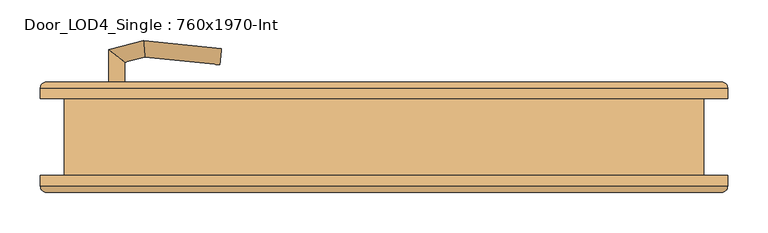
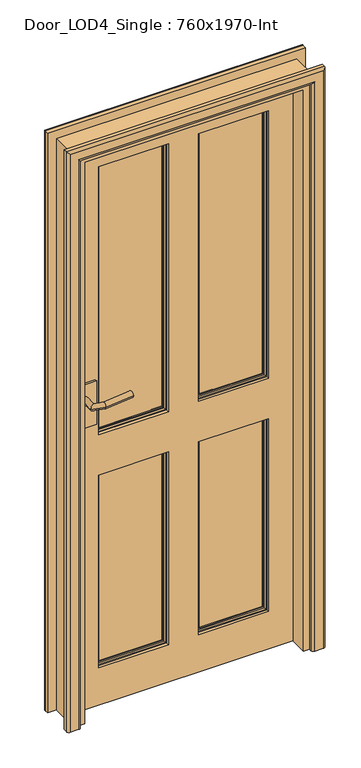
"""IFC4 building model written with IfcOpenShell, lengths in millimetres: door geometry, Door_LOD4_Single : 760x1970-Int."""

from ifc_helpers import new_model, si_unit, frame, origin, place, context, project, spatial, polyline, circle_curve, ellipse_curve, outline, extrude, source, transform, mapped, element, save
from ifc_brep_helpers import plane_surface, cylinder_surface, advanced_brep


def door_lod4_single_760x1970_int_ee4fc6f6(model_context):
    return source(origin(), model_context, "Body", "SolidModel", [
        advanced_brep(
        [(280.0000152, 17.5, 130.0), (280.0000152, 17.5, 800.0), (50.0, 17.5, 800.0), (50.0, 17.5, 130.0), (53.6443449, 17.5, 133.6443449), (53.6443449, 17.5, 796.3556551), (276.3556703, 17.5, 796.3556551), (276.3556703, 17.5, 133.6443449), (280.0000152, 37.5, 130.0), (50.0, 37.5, 130.0), (50.0, 37.5, 800.0), (280.0000152, 37.5, 800.0), (53.6443449, 37.5, 796.3556551), (53.6443449, 37.5, 133.6443449), (276.3556703, 37.5, 133.6443449), (276.3556703, 37.5, 796.3556551), (60.5, 29.8125, 789.5), (60.5, 29.8125, 140.5), (60.5, 32.8125, 140.5), (60.5, 32.8125, 789.5), (269.5000152, 29.8125, 140.5), (269.5000152, 32.8125, 140.5), (269.5000152, 29.8125, 789.5), (269.5000152, 32.8125, 789.5), (55.9375, 32.8125, 135.9375), (55.9375, 32.8125, 794.0625), (274.0625152, 32.8125, 794.0625), (274.0625152, 32.8125, 135.9375), (60.5, 22.1875, 789.5), (60.5, 22.1875, 140.5), (60.5, 25.1875, 140.5), (60.5, 25.1875, 789.5), (269.5000152, 22.1875, 140.5), (269.5000152, 25.1875, 140.5), (269.5000152, 22.1875, 789.5), (269.5000152, 25.1875, 789.5), (55.9375, 22.1875, 794.0625), (55.9375, 22.1875, 135.9375), (274.0625152, 22.1875, 135.9375), (274.0625152, 22.1875, 794.0625)],
        [
            (0, 1),
            (1, 2),
            (2, 3),
            (3, 0),
            (4, 5),
            (5, 6),
            (6, 7),
            (7, 4),
            (8, 9),
            (9, 10),
            (10, 11),
            (11, 8),
            (12, 13),
            (13, 14),
            (14, 15),
            (15, 12),
            (0, 8),
            (11, 1),
            (10, 2),
            (9, 3),
            (16, 17),
            (17, 18),
            (18, 19),
            (19, 16),
            (17, 20),
            (20, 21),
            (21, 18),
            (20, 22),
            (22, 23),
            (23, 21),
            (24, 25),
            (25, 26),
            (26, 27),
            (27, 24),
            (23, 19),
            (22, 16),
            (24, 13, ellipse_curve(frame((50.0, 32.8125, 130.0), z_axis=(-0.7071067811865475, 0.0, 0.7071067811865475), x_axis=(-0.7071067811865474, 0.0, -0.7071067811865476)), 8.396893, 5.9375)),
            (12, 25, ellipse_curve(frame((50.0, 32.8125, 800.0), z_axis=(-0.7071067811865475, 0.0, -0.7071067811865475), x_axis=(0.7071067811865474, 0.0, -0.7071067811865476)), 8.396893, 5.9375)),
            (27, 14, ellipse_curve(frame((280.0000152, 32.8125, 130.0), z_axis=(-0.7071067811865475, 0.0, -0.7071067811865475), x_axis=(0.7071067811865476, 0.0, -0.7071067811865474)), 8.396893, 5.9375)),
            (26, 15, ellipse_curve(frame((280.0000152, 32.8125, 800.0), z_axis=(0.7071067811865475, 0.0, -0.7071067811865475), x_axis=(0.7071067811865474, 0.0, 0.7071067811865476)), 8.396893, 5.9375)),
            (28, 29),
            (29, 30),
            (30, 31),
            (31, 28),
            (29, 32),
            (32, 33),
            (33, 30),
            (32, 34),
            (34, 35),
            (35, 33),
            (36, 37),
            (37, 38),
            (38, 39),
            (39, 36),
            (28, 34),
            (31, 35),
            (36, 5, ellipse_curve(frame((50.0, 22.1875, 800.0), z_axis=(-0.7071067811865475, 0.0, -0.7071067811865475), x_axis=(0.7071067811865474, 0.0, -0.7071067811865476)), 8.396893, 5.9375)),
            (4, 37, ellipse_curve(frame((50.0, 22.1875, 130.0), z_axis=(-0.7071067811865475, 0.0, 0.7071067811865475), x_axis=(-0.7071067811865474, 0.0, -0.7071067811865476)), 8.396893, 5.9375)),
            (7, 38, ellipse_curve(frame((280.0000152, 22.1875, 130.0), z_axis=(-0.7071067811865475, 0.0, -0.7071067811865475), x_axis=(0.7071067811865476, 0.0, -0.7071067811865474)), 8.396893, 5.9375)),
            (6, 39, ellipse_curve(frame((280.0000152, 22.1875, 800.0), z_axis=(0.7071067811865475, 0.0, -0.7071067811865475), x_axis=(0.7071067811865474, 0.0, 0.7071067811865476)), 8.396893, 5.9375)),
        ],
        [
            plane_surface(frame((280.0000152, 17.5, 130.0), z_axis=(0.0, -1.0, 0.0), x_axis=(0.0, 0.0, 1.0))),
            plane_surface(frame((280.0000152, 37.5, 130.0), z_axis=(0.0, 1.0, 0.0), x_axis=(0.0, 0.0, -1.0))),
            plane_surface(frame((280.0000152, 17.5, 130.0), z_axis=(1.0, 0.0, 0.0), x_axis=(0.0, 1.0, 0.0))),
            plane_surface(frame((280.0000152, 17.5, 800.0), z_axis=(0.0, 0.0, 1.0), x_axis=(0.0, 1.0, 0.0))),
            plane_surface(frame((50.0, 17.5, 800.0), z_axis=(-1.0, 0.0, 0.0), x_axis=(0.0, 1.0, 0.0))),
            plane_surface(frame((50.0, 17.5, 130.0), z_axis=(0.0, 0.0, -1.0), x_axis=(0.0, 1.0, 0.0))),
            plane_surface(frame((60.5, 32.8125, 789.5), z_axis=(1.0, 0.0, 0.0), x_axis=(0.0, 0.0, -1.0))),
            plane_surface(frame((60.5, 32.8125, 140.5), z_axis=(0.0, 0.0, 1.0), x_axis=(1.0, 0.0, 0.0))),
            plane_surface(frame((269.5000152, 32.8125, 140.5), z_axis=(-1.0, 0.0, 0.0), x_axis=(0.0, 0.0, 1.0))),
            plane_surface(frame((274.0625152, 32.8125, 794.0625), z_axis=(0.0, 1.0, 0.0), x_axis=(-1.0, 0.0, 0.0))),
            plane_surface(frame((269.5000152, 32.8125, 789.5), z_axis=(0.0, 0.0, -1.0), x_axis=(-1.0, 0.0, 0.0))),
            plane_surface(frame((269.5000152, 29.8125, 789.5), z_axis=(0.0, 1.0, 0.0), x_axis=(-1.0, 0.0, 0.0))),
            cylinder_surface(frame((50.0, 32.8125, 800.0), z_axis=(0.0, 0.0, -1.0), x_axis=(-1.0, 0.0, 0.0)), 5.9375),
            cylinder_surface(frame((50.0, 32.8125, 130.0), z_axis=(1.0, 0.0, 0.0), x_axis=(0.0, 0.0, -1.0)), 5.9375),
            cylinder_surface(frame((280.0000152, 32.8125, 130.0), z_axis=(0.0, 0.0, 1.0), x_axis=(1.0, 0.0, 0.0)), 5.9375),
            cylinder_surface(frame((280.0000152, 32.8125, 800.0), z_axis=(-1.0, 0.0, 0.0), x_axis=(0.0, 0.0, 1.0)), 5.9375),
            plane_surface(frame((60.5, 25.1875, 789.5), z_axis=(1.0, 0.0, 0.0), x_axis=(0.0, 0.0, -1.0))),
            plane_surface(frame((60.5, 25.1875, 140.5), z_axis=(0.0, 0.0, 1.0), x_axis=(1.0, 0.0, 0.0))),
            plane_surface(frame((269.5000152, 25.1875, 140.5), z_axis=(-1.0, 0.0, 0.0), x_axis=(0.0, 0.0, 1.0))),
            plane_surface(frame((269.5000152, 22.1875, 789.5), z_axis=(0.0, -1.0, 0.0), x_axis=(-1.0, 0.0, 0.0))),
            plane_surface(frame((269.5000152, 25.1875, 789.5), z_axis=(0.0, 0.0, -1.0), x_axis=(-1.0, 0.0, 0.0))),
            plane_surface(frame((246.5442628, 25.1875, 766.5442476), z_axis=(0.0, -1.0, 0.0), x_axis=(-1.0, 0.0, 0.0))),
            cylinder_surface(frame((50.0, 22.1875, 800.0), z_axis=(0.0, 0.0, -1.0), x_axis=(1.0, 0.0, 0.0)), 5.9375),
            cylinder_surface(frame((50.0, 22.1875, 130.0), z_axis=(1.0, 0.0, 0.0), x_axis=(0.0, 0.0, 1.0)), 5.9375),
            cylinder_surface(frame((280.0000152, 22.1875, 130.0), z_axis=(0.0, 0.0, 1.0), x_axis=(-1.0, 0.0, 0.0)), 5.9375),
            cylinder_surface(frame((280.0000152, 22.1875, 800.0), z_axis=(-1.0, 0.0, 0.0), x_axis=(0.0, 0.0, -1.0)), 5.9375),
        ],
        [
            (0, [[1, 2, 3, 4], [5, 6, 7, 8]]),
            (1, [[9, 10, 11, 12], [13, 14, 15, 16]]),
            (2, [[-1, 17, -12, 18]]),
            (3, [[-2, -18, -11, 19]]),
            (4, [[-3, -19, -10, 20]]),
            (5, [[-4, -20, -9, -17]]),
            (6, [[21, 22, 23, 24]]),
            (7, [[-22, 25, 26, 27]]),
            (8, [[-26, 28, 29, 30]]),
            (9, [[31, 32, 33, 34], [-23, -27, -30, 35]]),
            (10, [[-24, -35, -29, 36]]),
            (11, [[-21, -36, -28, -25]]),
            (12, [[-31, 37, -13, 38]]),
            (13, [[-34, 39, -14, -37]]),
            (14, [[-33, 40, -15, -39]]),
            (15, [[-32, -38, -16, -40]]),
            (16, [[41, 42, 43, 44]]),
            (17, [[-42, 45, 46, 47]]),
            (18, [[-46, 48, 49, 50]]),
            (19, [[51, 52, 53, 54], [-41, 55, -48, -45]]),
            (20, [[-44, 56, -49, -55]]),
            (21, [[-43, -47, -50, -56]]),
            (22, [[-51, 57, -5, 58]]),
            (23, [[-52, -58, -8, 59]]),
            (24, [[-53, -59, -7, 60]]),
            (25, [[-54, -60, -6, -57]]),
        ],
    ),
        advanced_brep(
        [(-50.0, 17.5, 130.0), (-50.0, 17.5, 800.0), (-280.0000152, 17.5, 800.0), (-280.0000152, 17.5, 130.0), (-276.3556703, 17.5, 133.6443449), (-276.3556703, 17.5, 796.3556551), (-53.6443449, 17.5, 796.3556551), (-53.6443449, 17.5, 133.6443449), (-50.0, 37.5, 130.0), (-280.0000152, 37.5, 130.0), (-280.0000152, 37.5, 800.0), (-50.0, 37.5, 800.0), (-276.3556703, 37.5, 796.3556551), (-276.3556703, 37.5, 133.6443449), (-53.6443449, 37.5, 133.6443449), (-53.6443449, 37.5, 796.3556551), (-269.5000152, 29.8125, 789.5), (-269.5000152, 29.8125, 140.5), (-269.5000152, 32.8125, 140.5), (-269.5000152, 32.8125, 789.5), (-60.5, 29.8125, 140.5), (-60.5, 32.8125, 140.5), (-60.5, 29.8125, 789.5), (-60.5, 32.8125, 789.5), (-274.0625152, 32.8125, 135.9375), (-274.0625152, 32.8125, 794.0625), (-55.9375, 32.8125, 794.0625), (-55.9375, 32.8125, 135.9375), (-269.5000152, 22.1875, 789.5), (-269.5000152, 22.1875, 140.5), (-269.5000152, 25.1875, 140.5), (-269.5000152, 25.1875, 789.5), (-60.5, 22.1875, 140.5), (-60.5, 25.1875, 140.5), (-60.5, 22.1875, 789.5), (-60.5, 25.1875, 789.5), (-274.0625152, 22.1875, 794.0625), (-274.0625152, 22.1875, 135.9375), (-55.9375, 22.1875, 135.9375), (-55.9375, 22.1875, 794.0625)],
        [
            (0, 1),
            (1, 2),
            (2, 3),
            (3, 0),
            (4, 5),
            (5, 6),
            (6, 7),
            (7, 4),
            (8, 9),
            (9, 10),
            (10, 11),
            (11, 8),
            (12, 13),
            (13, 14),
            (14, 15),
            (15, 12),
            (0, 8),
            (11, 1),
            (10, 2),
            (9, 3),
            (16, 17),
            (17, 18),
            (18, 19),
            (19, 16),
            (17, 20),
            (20, 21),
            (21, 18),
            (20, 22),
            (22, 23),
            (23, 21),
            (24, 25),
            (25, 26),
            (26, 27),
            (27, 24),
            (23, 19),
            (22, 16),
            (24, 13, ellipse_curve(frame((-280.0000152, 32.8125, 130.0), z_axis=(-0.7071067811865475, 0.0, 0.7071067811865475), x_axis=(-0.7071067811865474, 0.0, -0.7071067811865476)), 8.396893, 5.9375)),
            (12, 25, ellipse_curve(frame((-280.0000152, 32.8125, 800.0), z_axis=(-0.7071067811865475, 0.0, -0.7071067811865475), x_axis=(0.7071067811865474, 0.0, -0.7071067811865476)), 8.396893, 5.9375)),
            (27, 14, ellipse_curve(frame((-50.0, 32.8125, 130.0), z_axis=(-0.7071067811865475, 0.0, -0.7071067811865475), x_axis=(0.7071067811865476, 0.0, -0.7071067811865474)), 8.396893, 5.9375)),
            (26, 15, ellipse_curve(frame((-50.0, 32.8125, 800.0), z_axis=(0.7071067811865475, 0.0, -0.7071067811865475), x_axis=(0.7071067811865474, 0.0, 0.7071067811865476)), 8.396893, 5.9375)),
            (28, 29),
            (29, 30),
            (30, 31),
            (31, 28),
            (29, 32),
            (32, 33),
            (33, 30),
            (32, 34),
            (34, 35),
            (35, 33),
            (36, 37),
            (37, 38),
            (38, 39),
            (39, 36),
            (28, 34),
            (31, 35),
            (36, 5, ellipse_curve(frame((-280.0000152, 22.1875, 800.0), z_axis=(-0.7071067811865475, 0.0, -0.7071067811865475), x_axis=(0.7071067811865474, 0.0, -0.7071067811865476)), 8.396893, 5.9375)),
            (4, 37, ellipse_curve(frame((-280.0000152, 22.1875, 130.0), z_axis=(-0.7071067811865475, 0.0, 0.7071067811865475), x_axis=(-0.7071067811865474, 0.0, -0.7071067811865476)), 8.396893, 5.9375)),
            (7, 38, ellipse_curve(frame((-50.0, 22.1875, 130.0), z_axis=(-0.7071067811865475, 0.0, -0.7071067811865475), x_axis=(0.7071067811865476, 0.0, -0.7071067811865474)), 8.396893, 5.9375)),
            (6, 39, ellipse_curve(frame((-50.0, 22.1875, 800.0), z_axis=(0.7071067811865475, 0.0, -0.7071067811865475), x_axis=(0.7071067811865474, 0.0, 0.7071067811865476)), 8.396893, 5.9375)),
        ],
        [
            plane_surface(frame((-50.0, 17.5, 130.0), z_axis=(0.0, -1.0, 0.0), x_axis=(0.0, 0.0, 1.0))),
            plane_surface(frame((-50.0, 37.5, 130.0), z_axis=(0.0, 1.0, 0.0), x_axis=(0.0, 0.0, -1.0))),
            plane_surface(frame((-50.0, 17.5, 130.0), z_axis=(1.0, 0.0, 0.0), x_axis=(0.0, 1.0, 0.0))),
            plane_surface(frame((-50.0, 17.5, 800.0), z_axis=(0.0, 0.0, 1.0), x_axis=(0.0, 1.0, 0.0))),
            plane_surface(frame((-280.0000152, 17.5, 800.0), z_axis=(-1.0, 0.0, 0.0), x_axis=(0.0, 1.0, 0.0))),
            plane_surface(frame((-280.0000152, 17.5, 130.0), z_axis=(0.0, 0.0, -1.0), x_axis=(0.0, 1.0, 0.0))),
            plane_surface(frame((-269.5000152, 32.8125, 789.5), z_axis=(1.0, 0.0, 0.0), x_axis=(0.0, 0.0, -1.0))),
            plane_surface(frame((-269.5000152, 32.8125, 140.5), z_axis=(0.0, 0.0, 1.0), x_axis=(1.0, 0.0, 0.0))),
            plane_surface(frame((-60.5, 32.8125, 140.5), z_axis=(-1.0, 0.0, 0.0), x_axis=(0.0, 0.0, 1.0))),
            plane_surface(frame((-55.9375, 32.8125, 794.0625), z_axis=(0.0, 1.0, 0.0), x_axis=(-1.0, 0.0, 0.0))),
            plane_surface(frame((-60.5, 32.8125, 789.5), z_axis=(0.0, 0.0, -1.0), x_axis=(-1.0, 0.0, 0.0))),
            plane_surface(frame((-60.5, 29.8125, 789.5), z_axis=(0.0, 1.0, 0.0), x_axis=(-1.0, 0.0, 0.0))),
            cylinder_surface(frame((-280.0000152, 32.8125, 800.0), z_axis=(0.0, 0.0, -1.0), x_axis=(-1.0, 0.0, 0.0)), 5.9375),
            cylinder_surface(frame((-280.0000152, 32.8125, 130.0), z_axis=(1.0, 0.0, 0.0), x_axis=(0.0, 0.0, -1.0)), 5.9375),
            cylinder_surface(frame((-50.0, 32.8125, 130.0), z_axis=(0.0, 0.0, 1.0), x_axis=(1.0, 0.0, 0.0)), 5.9375),
            cylinder_surface(frame((-50.0, 32.8125, 800.0), z_axis=(-1.0, 0.0, 0.0), x_axis=(0.0, 0.0, 1.0)), 5.9375),
            plane_surface(frame((-269.5000152, 25.1875, 789.5), z_axis=(1.0, 0.0, 0.0), x_axis=(0.0, 0.0, -1.0))),
            plane_surface(frame((-269.5000152, 25.1875, 140.5), z_axis=(0.0, 0.0, 1.0), x_axis=(1.0, 0.0, 0.0))),
            plane_surface(frame((-60.5, 25.1875, 140.5), z_axis=(-1.0, 0.0, 0.0), x_axis=(0.0, 0.0, 1.0))),
            plane_surface(frame((-60.5, 22.1875, 789.5), z_axis=(0.0, -1.0, 0.0), x_axis=(-1.0, 0.0, 0.0))),
            plane_surface(frame((-60.5, 25.1875, 789.5), z_axis=(0.0, 0.0, -1.0), x_axis=(-1.0, 0.0, 0.0))),
            plane_surface(frame((-83.4557524, 25.1875, 766.5442476), z_axis=(0.0, -1.0, 0.0), x_axis=(-1.0, 0.0, 0.0))),
            cylinder_surface(frame((-280.0000152, 22.1875, 800.0), z_axis=(0.0, 0.0, -1.0), x_axis=(1.0, 0.0, 0.0)), 5.9375),
            cylinder_surface(frame((-280.0000152, 22.1875, 130.0), z_axis=(1.0, 0.0, 0.0), x_axis=(0.0, 0.0, 1.0)), 5.9375),
            cylinder_surface(frame((-50.0, 22.1875, 130.0), z_axis=(0.0, 0.0, 1.0), x_axis=(-1.0, 0.0, 0.0)), 5.9375),
            cylinder_surface(frame((-50.0, 22.1875, 800.0), z_axis=(-1.0, 0.0, 0.0), x_axis=(0.0, 0.0, -1.0)), 5.9375),
        ],
        [
            (0, [[1, 2, 3, 4], [5, 6, 7, 8]]),
            (1, [[9, 10, 11, 12], [13, 14, 15, 16]]),
            (2, [[-1, 17, -12, 18]]),
            (3, [[-2, -18, -11, 19]]),
            (4, [[-3, -19, -10, 20]]),
            (5, [[-4, -20, -9, -17]]),
            (6, [[21, 22, 23, 24]]),
            (7, [[-22, 25, 26, 27]]),
            (8, [[-26, 28, 29, 30]]),
            (9, [[31, 32, 33, 34], [-23, -27, -30, 35]]),
            (10, [[-24, -35, -29, 36]]),
            (11, [[-21, -36, -28, -25]]),
            (12, [[-31, 37, -13, 38]]),
            (13, [[-34, 39, -14, -37]]),
            (14, [[-33, 40, -15, -39]]),
            (15, [[-32, -38, -16, -40]]),
            (16, [[41, 42, 43, 44]]),
            (17, [[-42, 45, 46, 47]]),
            (18, [[-46, 48, 49, 50]]),
            (19, [[51, 52, 53, 54], [-41, 55, -48, -45]]),
            (20, [[-44, 56, -49, -55]]),
            (21, [[-43, -47, -50, -56]]),
            (22, [[-51, 57, -5, 58]]),
            (23, [[-52, -58, -8, 59]]),
            (24, [[-53, -59, -7, 60]]),
            (25, [[-54, -60, -6, -57]]),
        ],
    ),
        advanced_brep(
        [(280.0000152, 17.5, 940.0), (280.0000152, 17.5, 1870.0000789), (50.0, 17.5, 1870.0000789), (50.0, 17.5, 940.0), (53.6443449, 17.5, 943.6443449), (53.6443449, 17.5, 1866.355734), (276.3556703, 17.5, 1866.355734), (276.3556703, 17.5, 943.6443449), (280.0000152, 37.5, 940.0), (50.0, 37.5, 940.0), (50.0, 37.5, 1870.0000789), (280.0000152, 37.5, 1870.0000789), (53.6443449, 37.5, 1866.355734), (53.6443449, 37.5, 943.6443449), (276.3556703, 37.5, 943.6443449), (276.3556703, 37.5, 1866.355734), (60.5, 29.8125, 1859.5000789), (60.5, 29.8125, 950.5), (60.5, 32.8125, 950.5), (60.5, 32.8125, 1859.5000789), (269.5000152, 29.8125, 950.5), (269.5000152, 32.8125, 950.5), (269.5000152, 29.8125, 1859.5000789), (269.5000152, 32.8125, 1859.5000789), (55.9375, 32.8125, 945.9375), (55.9375, 32.8125, 1864.0625789), (274.0625152, 32.8125, 1864.0625789), (274.0625152, 32.8125, 945.9375), (60.5, 22.1875, 1859.5000789), (60.5, 22.1875, 950.5), (60.5, 25.1875, 950.5), (60.5, 25.1875, 1859.5000789), (269.5000152, 22.1875, 950.5), (269.5000152, 25.1875, 950.5), (269.5000152, 22.1875, 1859.5000789), (269.5000152, 25.1875, 1859.5000789), (55.9375, 22.1875, 1864.0625789), (55.9375, 22.1875, 945.9375), (274.0625152, 22.1875, 945.9375), (274.0625152, 22.1875, 1864.0625789)],
        [
            (0, 1),
            (1, 2),
            (2, 3),
            (3, 0),
            (4, 5),
            (5, 6),
            (6, 7),
            (7, 4),
            (8, 9),
            (9, 10),
            (10, 11),
            (11, 8),
            (12, 13),
            (13, 14),
            (14, 15),
            (15, 12),
            (0, 8),
            (11, 1),
            (10, 2),
            (9, 3),
            (16, 17),
            (17, 18),
            (18, 19),
            (19, 16),
            (17, 20),
            (20, 21),
            (21, 18),
            (20, 22),
            (22, 23),
            (23, 21),
            (24, 25),
            (25, 26),
            (26, 27),
            (27, 24),
            (23, 19),
            (22, 16),
            (24, 13, ellipse_curve(frame((50.0, 32.8125, 940.0), z_axis=(-0.7071067811865475, 0.0, 0.7071067811865475), x_axis=(-0.7071067811865474, 0.0, -0.7071067811865476)), 8.396893, 5.9375)),
            (12, 25, ellipse_curve(frame((50.0, 32.8125, 1870.0000789), z_axis=(-0.7071067811865475, 0.0, -0.7071067811865475), x_axis=(0.7071067811865474, 0.0, -0.7071067811865476)), 8.396893, 5.9375)),
            (27, 14, ellipse_curve(frame((280.0000152, 32.8125, 940.0), z_axis=(-0.7071067811865475, 0.0, -0.7071067811865475), x_axis=(0.7071067811865476, 0.0, -0.7071067811865474)), 8.396893, 5.9375)),
            (26, 15, ellipse_curve(frame((280.0000152, 32.8125, 1870.0000789), z_axis=(0.7071067811865475, 0.0, -0.7071067811865475), x_axis=(0.7071067811865474, 0.0, 0.7071067811865476)), 8.396893, 5.9375)),
            (28, 29),
            (29, 30),
            (30, 31),
            (31, 28),
            (29, 32),
            (32, 33),
            (33, 30),
            (32, 34),
            (34, 35),
            (35, 33),
            (36, 37),
            (37, 38),
            (38, 39),
            (39, 36),
            (28, 34),
            (31, 35),
            (36, 5, ellipse_curve(frame((50.0, 22.1875, 1870.0000789), z_axis=(-0.7071067811865475, 0.0, -0.7071067811865475), x_axis=(0.7071067811865474, 0.0, -0.7071067811865476)), 8.396893, 5.9375)),
            (4, 37, ellipse_curve(frame((50.0, 22.1875, 940.0), z_axis=(-0.7071067811865475, 0.0, 0.7071067811865475), x_axis=(-0.7071067811865474, 0.0, -0.7071067811865476)), 8.396893, 5.9375)),
            (7, 38, ellipse_curve(frame((280.0000152, 22.1875, 940.0), z_axis=(-0.7071067811865475, 0.0, -0.7071067811865475), x_axis=(0.7071067811865476, 0.0, -0.7071067811865474)), 8.396893, 5.9375)),
            (6, 39, ellipse_curve(frame((280.0000152, 22.1875, 1870.0000789), z_axis=(0.7071067811865475, 0.0, -0.7071067811865475), x_axis=(0.7071067811865474, 0.0, 0.7071067811865476)), 8.396893, 5.9375)),
        ],
        [
            plane_surface(frame((280.0000152, 17.5, 940.0), z_axis=(0.0, -1.0, 0.0), x_axis=(0.0, 0.0, 1.0))),
            plane_surface(frame((280.0000152, 37.5, 940.0), z_axis=(0.0, 1.0, 0.0), x_axis=(0.0, 0.0, -1.0))),
            plane_surface(frame((280.0000152, 17.5, 940.0), z_axis=(1.0, 0.0, 0.0), x_axis=(0.0, 1.0, 0.0))),
            plane_surface(frame((280.0000152, 17.5, 1870.0000789), z_axis=(0.0, 0.0, 1.0), x_axis=(0.0, 1.0, 0.0))),
            plane_surface(frame((50.0, 17.5, 1870.0000789), z_axis=(-1.0, 0.0, 0.0), x_axis=(0.0, 1.0, 0.0))),
            plane_surface(frame((50.0, 17.5, 940.0), z_axis=(0.0, 0.0, -1.0), x_axis=(0.0, 1.0, 0.0))),
            plane_surface(frame((60.5, 32.8125, 1859.5000789), z_axis=(1.0, 0.0, 0.0), x_axis=(0.0, 0.0, -1.0))),
            plane_surface(frame((60.5, 32.8125, 950.5), z_axis=(0.0, 0.0, 1.0), x_axis=(1.0, 0.0, 0.0))),
            plane_surface(frame((269.5000152, 32.8125, 950.5), z_axis=(-1.0, 0.0, 0.0), x_axis=(0.0, 0.0, 1.0))),
            plane_surface(frame((274.0625152, 32.8125, 1864.0625789), z_axis=(0.0, 1.0, 0.0), x_axis=(-1.0, 0.0, 0.0))),
            plane_surface(frame((269.5000152, 32.8125, 1859.5000789), z_axis=(0.0, 0.0, -1.0), x_axis=(-1.0, 0.0, 0.0))),
            plane_surface(frame((269.5000152, 29.8125, 1859.5000789), z_axis=(0.0, 1.0, 0.0), x_axis=(-1.0, 0.0, 0.0))),
            cylinder_surface(frame((50.0, 32.8125, 1870.0000789), z_axis=(0.0, 0.0, -1.0), x_axis=(-1.0, 0.0, 0.0)), 5.9375),
            cylinder_surface(frame((50.0, 32.8125, 940.0), z_axis=(1.0, 0.0, 0.0), x_axis=(0.0, 0.0, -1.0)), 5.9375),
            cylinder_surface(frame((280.0000152, 32.8125, 940.0), z_axis=(0.0, 0.0, 1.0), x_axis=(1.0, 0.0, 0.0)), 5.9375),
            cylinder_surface(frame((280.0000152, 32.8125, 1870.0000789), z_axis=(-1.0, 0.0, 0.0), x_axis=(0.0, 0.0, 1.0)), 5.9375),
            plane_surface(frame((60.5, 25.1875, 1859.5000789), z_axis=(1.0, 0.0, 0.0), x_axis=(0.0, 0.0, -1.0))),
            plane_surface(frame((60.5, 25.1875, 950.5), z_axis=(0.0, 0.0, 1.0), x_axis=(1.0, 0.0, 0.0))),
            plane_surface(frame((269.5000152, 25.1875, 950.5), z_axis=(-1.0, 0.0, 0.0), x_axis=(0.0, 0.0, 1.0))),
            plane_surface(frame((269.5000152, 22.1875, 1859.5000789), z_axis=(0.0, -1.0, 0.0), x_axis=(-1.0, 0.0, 0.0))),
            plane_surface(frame((269.5000152, 25.1875, 1859.5000789), z_axis=(0.0, 0.0, -1.0), x_axis=(-1.0, 0.0, 0.0))),
            plane_surface(frame((246.5442628, 25.1875, 1836.5443265), z_axis=(0.0, -1.0, 0.0), x_axis=(-1.0, 0.0, 0.0))),
            cylinder_surface(frame((50.0, 22.1875, 1870.0000789), z_axis=(0.0, 0.0, -1.0), x_axis=(1.0, 0.0, 0.0)), 5.9375),
            cylinder_surface(frame((50.0, 22.1875, 940.0), z_axis=(1.0, 0.0, 0.0), x_axis=(0.0, 0.0, 1.0)), 5.9375),
            cylinder_surface(frame((280.0000152, 22.1875, 940.0), z_axis=(0.0, 0.0, 1.0), x_axis=(-1.0, 0.0, 0.0)), 5.9375),
            cylinder_surface(frame((280.0000152, 22.1875, 1870.0000789), z_axis=(-1.0, 0.0, 0.0), x_axis=(0.0, 0.0, -1.0)), 5.9375),
        ],
        [
            (0, [[1, 2, 3, 4], [5, 6, 7, 8]]),
            (1, [[9, 10, 11, 12], [13, 14, 15, 16]]),
            (2, [[-1, 17, -12, 18]]),
            (3, [[-2, -18, -11, 19]]),
            (4, [[-3, -19, -10, 20]]),
            (5, [[-4, -20, -9, -17]]),
            (6, [[21, 22, 23, 24]]),
            (7, [[-22, 25, 26, 27]]),
            (8, [[-26, 28, 29, 30]]),
            (9, [[31, 32, 33, 34], [-23, -27, -30, 35]]),
            (10, [[-24, -35, -29, 36]]),
            (11, [[-21, -36, -28, -25]]),
            (12, [[-31, 37, -13, 38]]),
            (13, [[-34, 39, -14, -37]]),
            (14, [[-33, 40, -15, -39]]),
            (15, [[-32, -38, -16, -40]]),
            (16, [[41, 42, 43, 44]]),
            (17, [[-42, 45, 46, 47]]),
            (18, [[-46, 48, 49, 50]]),
            (19, [[51, 52, 53, 54], [-41, 55, -48, -45]]),
            (20, [[-44, 56, -49, -55]]),
            (21, [[-43, -47, -50, -56]]),
            (22, [[-51, 57, -5, 58]]),
            (23, [[-52, -58, -8, 59]]),
            (24, [[-53, -59, -7, 60]]),
            (25, [[-54, -60, -6, -57]]),
        ],
    ),
        advanced_brep(
        [(-50.0, 17.5, 940.0), (-50.0, 17.5, 1870.0000789), (-280.0000152, 17.5, 1870.0000789), (-280.0000152, 17.5, 940.0), (-276.3556703, 17.5, 943.6443449), (-276.3556703, 17.5, 1866.355734), (-53.6443449, 17.5, 1866.355734), (-53.6443449, 17.5, 943.6443449), (-50.0, 37.5, 940.0), (-280.0000152, 37.5, 940.0), (-280.0000152, 37.5, 1870.0000789), (-50.0, 37.5, 1870.0000789), (-276.3556703, 37.5, 1866.355734), (-276.3556703, 37.5, 943.6443449), (-53.6443449, 37.5, 943.6443449), (-53.6443449, 37.5, 1866.355734), (-269.5000152, 29.8125, 1859.5000789), (-269.5000152, 29.8125, 950.5), (-269.5000152, 32.8125, 950.5), (-269.5000152, 32.8125, 1859.5000789), (-60.5, 29.8125, 950.5), (-60.5, 32.8125, 950.5), (-60.5, 29.8125, 1859.5000789), (-60.5, 32.8125, 1859.5000789), (-274.0625152, 32.8125, 945.9375), (-274.0625152, 32.8125, 1864.0625789), (-55.9375, 32.8125, 1864.0625789), (-55.9375, 32.8125, 945.9375), (-269.5000152, 22.1875, 1859.5000789), (-269.5000152, 22.1875, 950.5), (-269.5000152, 25.1875, 950.5), (-269.5000152, 25.1875, 1859.5000789), (-60.5, 22.1875, 950.5), (-60.5, 25.1875, 950.5), (-60.5, 22.1875, 1859.5000789), (-60.5, 25.1875, 1859.5000789), (-274.0625152, 22.1875, 1864.0625789), (-274.0625152, 22.1875, 945.9375), (-55.9375, 22.1875, 945.9375), (-55.9375, 22.1875, 1864.0625789)],
        [
            (0, 1),
            (1, 2),
            (2, 3),
            (3, 0),
            (4, 5),
            (5, 6),
            (6, 7),
            (7, 4),
            (8, 9),
            (9, 10),
            (10, 11),
            (11, 8),
            (12, 13),
            (13, 14),
            (14, 15),
            (15, 12),
            (0, 8),
            (11, 1),
            (10, 2),
            (9, 3),
            (16, 17),
            (17, 18),
            (18, 19),
            (19, 16),
            (17, 20),
            (20, 21),
            (21, 18),
            (20, 22),
            (22, 23),
            (23, 21),
            (24, 25),
            (25, 26),
            (26, 27),
            (27, 24),
            (23, 19),
            (22, 16),
            (24, 13, ellipse_curve(frame((-280.0000152, 32.8125, 940.0), z_axis=(-0.7071067811865475, 0.0, 0.7071067811865475), x_axis=(-0.7071067811865474, 0.0, -0.7071067811865476)), 8.396893, 5.9375)),
            (12, 25, ellipse_curve(frame((-280.0000152, 32.8125, 1870.0000789), z_axis=(-0.7071067811865475, 0.0, -0.7071067811865475), x_axis=(0.7071067811865474, 0.0, -0.7071067811865476)), 8.396893, 5.9375)),
            (27, 14, ellipse_curve(frame((-50.0, 32.8125, 940.0), z_axis=(-0.7071067811865475, 0.0, -0.7071067811865475), x_axis=(0.7071067811865476, 0.0, -0.7071067811865474)), 8.396893, 5.9375)),
            (26, 15, ellipse_curve(frame((-50.0, 32.8125, 1870.0000789), z_axis=(0.7071067811865475, 0.0, -0.7071067811865475), x_axis=(0.7071067811865474, 0.0, 0.7071067811865476)), 8.396893, 5.9375)),
            (28, 29),
            (29, 30),
            (30, 31),
            (31, 28),
            (29, 32),
            (32, 33),
            (33, 30),
            (32, 34),
            (34, 35),
            (35, 33),
            (36, 37),
            (37, 38),
            (38, 39),
            (39, 36),
            (28, 34),
            (31, 35),
            (36, 5, ellipse_curve(frame((-280.0000152, 22.1875, 1870.0000789), z_axis=(-0.7071067811865475, 0.0, -0.7071067811865475), x_axis=(0.7071067811865474, 0.0, -0.7071067811865476)), 8.396893, 5.9375)),
            (4, 37, ellipse_curve(frame((-280.0000152, 22.1875, 940.0), z_axis=(-0.7071067811865475, 0.0, 0.7071067811865475), x_axis=(-0.7071067811865474, 0.0, -0.7071067811865476)), 8.396893, 5.9375)),
            (7, 38, ellipse_curve(frame((-50.0, 22.1875, 940.0), z_axis=(-0.7071067811865475, 0.0, -0.7071067811865475), x_axis=(0.7071067811865476, 0.0, -0.7071067811865474)), 8.396893, 5.9375)),
            (6, 39, ellipse_curve(frame((-50.0, 22.1875, 1870.0000789), z_axis=(0.7071067811865475, 0.0, -0.7071067811865475), x_axis=(0.7071067811865474, 0.0, 0.7071067811865476)), 8.396893, 5.9375)),
        ],
        [
            plane_surface(frame((-50.0, 17.5, 940.0), z_axis=(0.0, -1.0, 0.0), x_axis=(0.0, 0.0, 1.0))),
            plane_surface(frame((-50.0, 37.5, 940.0), z_axis=(0.0, 1.0, 0.0), x_axis=(0.0, 0.0, -1.0))),
            plane_surface(frame((-50.0, 17.5, 940.0), z_axis=(1.0, 0.0, 0.0), x_axis=(0.0, 1.0, 0.0))),
            plane_surface(frame((-50.0, 17.5, 1870.0000789), z_axis=(0.0, 0.0, 1.0), x_axis=(0.0, 1.0, 0.0))),
            plane_surface(frame((-280.0000152, 17.5, 1870.0000789), z_axis=(-1.0, 0.0, 0.0), x_axis=(0.0, 1.0, 0.0))),
            plane_surface(frame((-280.0000152, 17.5, 940.0), z_axis=(0.0, 0.0, -1.0), x_axis=(0.0, 1.0, 0.0))),
            plane_surface(frame((-269.5000152, 32.8125, 1859.5000789), z_axis=(1.0, 0.0, 0.0), x_axis=(0.0, 0.0, -1.0))),
            plane_surface(frame((-269.5000152, 32.8125, 950.5), z_axis=(0.0, 0.0, 1.0), x_axis=(1.0, 0.0, 0.0))),
            plane_surface(frame((-60.5, 32.8125, 950.5), z_axis=(-1.0, 0.0, 0.0), x_axis=(0.0, 0.0, 1.0))),
            plane_surface(frame((-55.9375, 32.8125, 1864.0625789), z_axis=(0.0, 1.0, 0.0), x_axis=(-1.0, 0.0, 0.0))),
            plane_surface(frame((-60.5, 32.8125, 1859.5000789), z_axis=(0.0, 0.0, -1.0), x_axis=(-1.0, 0.0, 0.0))),
            plane_surface(frame((-60.5, 29.8125, 1859.5000789), z_axis=(0.0, 1.0, 0.0), x_axis=(-1.0, 0.0, 0.0))),
            cylinder_surface(frame((-280.0000152, 32.8125, 1870.0000789), z_axis=(0.0, 0.0, -1.0), x_axis=(-1.0, 0.0, 0.0)), 5.9375),
            cylinder_surface(frame((-280.0000152, 32.8125, 940.0), z_axis=(1.0, 0.0, 0.0), x_axis=(0.0, 0.0, -1.0)), 5.9375),
            cylinder_surface(frame((-50.0, 32.8125, 940.0), z_axis=(0.0, 0.0, 1.0), x_axis=(1.0, 0.0, 0.0)), 5.9375),
            cylinder_surface(frame((-50.0, 32.8125, 1870.0000789), z_axis=(-1.0, 0.0, 0.0), x_axis=(0.0, 0.0, 1.0)), 5.9375),
            plane_surface(frame((-269.5000152, 25.1875, 1859.5000789), z_axis=(1.0, 0.0, 0.0), x_axis=(0.0, 0.0, -1.0))),
            plane_surface(frame((-269.5000152, 25.1875, 950.5), z_axis=(0.0, 0.0, 1.0), x_axis=(1.0, 0.0, 0.0))),
            plane_surface(frame((-60.5, 25.1875, 950.5), z_axis=(-1.0, 0.0, 0.0), x_axis=(0.0, 0.0, 1.0))),
            plane_surface(frame((-60.5, 22.1875, 1859.5000789), z_axis=(0.0, -1.0, 0.0), x_axis=(-1.0, 0.0, 0.0))),
            plane_surface(frame((-60.5, 25.1875, 1859.5000789), z_axis=(0.0, 0.0, -1.0), x_axis=(-1.0, 0.0, 0.0))),
            plane_surface(frame((-83.4557524, 25.1875, 1836.5443265), z_axis=(0.0, -1.0, 0.0), x_axis=(-1.0, 0.0, 0.0))),
            cylinder_surface(frame((-280.0000152, 22.1875, 1870.0000789), z_axis=(0.0, 0.0, -1.0), x_axis=(1.0, 0.0, 0.0)), 5.9375),
            cylinder_surface(frame((-280.0000152, 22.1875, 940.0), z_axis=(1.0, 0.0, 0.0), x_axis=(0.0, 0.0, 1.0)), 5.9375),
            cylinder_surface(frame((-50.0, 22.1875, 940.0), z_axis=(0.0, 0.0, 1.0), x_axis=(-1.0, 0.0, 0.0)), 5.9375),
            cylinder_surface(frame((-50.0, 22.1875, 1870.0000789), z_axis=(-1.0, 0.0, 0.0), x_axis=(0.0, 0.0, -1.0)), 5.9375),
        ],
        [
            (0, [[1, 2, 3, 4], [5, 6, 7, 8]]),
            (1, [[9, 10, 11, 12], [13, 14, 15, 16]]),
            (2, [[-1, 17, -12, 18]]),
            (3, [[-2, -18, -11, 19]]),
            (4, [[-3, -19, -10, 20]]),
            (5, [[-4, -20, -9, -17]]),
            (6, [[21, 22, 23, 24]]),
            (7, [[-22, 25, 26, 27]]),
            (8, [[-26, 28, 29, 30]]),
            (9, [[31, 32, 33, 34], [-23, -27, -30, 35]]),
            (10, [[-24, -35, -29, 36]]),
            (11, [[-21, -36, -28, -25]]),
            (12, [[-31, 37, -13, 38]]),
            (13, [[-34, 39, -14, -37]]),
            (14, [[-33, 40, -15, -39]]),
            (15, [[-32, -38, -16, -40]]),
            (16, [[41, 42, 43, 44]]),
            (17, [[-42, 45, 46, 47]]),
            (18, [[-46, 48, 49, 50]]),
            (19, [[51, 52, 53, 54], [-41, 55, -48, -45]]),
            (20, [[-44, 56, -49, -55]]),
            (21, [[-43, -47, -50, -56]]),
            (22, [[-51, 57, -5, 58]]),
            (23, [[-52, -58, -8, 59]]),
            (24, [[-53, -59, -7, 60]]),
            (25, [[-54, -60, -6, -57]]),
        ],
    ),
        extrude(outline(polyline([(1970.0000789, -380.0000152), (0.0, -380.0000152), (0.0, 380.0000152), (1970.0000789, 380.0000152), (1970.0000789, -380.0000152)]), holes=[polyline([(800.0, 280.0000152), (130.0, 280.0000152), (130.0, 50.0), (800.0, 50.0), (800.0, 280.0000152)]), polyline([(1870.0000789, 280.0000152), (940.0, 280.0000152), (940.0, 50.0), (1870.0000789, 50.0), (1870.0000789, 280.0000152)]), polyline([(1870.0000789, -50.0), (940.0, -50.0), (940.0, -280.0000152), (1870.0000789, -280.0000152), (1870.0000789, -50.0)]), polyline([(800.0, -50.0), (130.0, -50.0), (130.0, -280.0000152), (800.0, -280.0000152), (800.0, -50.0)])]), frame((0.0, 7.5, 0.0), z_axis=(0.0, 1.0, 0.0), x_axis=(0.0, 0.0, 1.0)), (0.0, 0.0, 1.0), 40.0),
        advanced_brep(
        [(-340.0000152, -0.5, 1085.0000394), (-320.0000152, -0.5, 1085.0000394), (-320.0000152, -37.8267301, 1085.0000394), (-340.0000152, -53.1732699, 1085.0000394), (-295.3947993, -44.4196778, 1085.0000394), (-296.9904233, -64.6976553, 1085.0000394), (-200.6930709, -54.5736521, 1085.0000394), (-202.7842007, -34.6832731, 1085.0000394)],
        [
            (0, 1, circle_curve(frame((-330.0000152, -0.5, 1085.0000394), z_axis=(0.0, 1.0, 0.0), x_axis=(1.0, 0.0, 0.0)), 10.0)),
            (1, 0, circle_curve(frame((-330.0000152, -0.5, 1085.0000394), z_axis=(0.0, 1.0, 0.0), x_axis=(1.0, 0.0, 0.0)), 10.0)),
            (1, 2),
            (2, 3, ellipse_curve(frame((-330.0000152, -45.5, 1085.0000394), z_axis=(-0.6087614290087403, 0.79335334029122, 0.0), x_axis=(0.7933533402912198, 0.6087614290087406, 0.0)), 12.6047241, 10.0)),
            (3, 0),
            (3, 2, ellipse_curve(frame((-330.0000152, -45.5, 1085.0000394), z_axis=(-0.6087614290087403, 0.79335334029122, 0.0), x_axis=(0.7933533402912198, 0.6087614290087406, 0.0)), 12.6047241, 10.0)),
            (2, 4),
            (4, 5, ellipse_curve(frame((-296.1926113, -54.5586666, 1085.0000394), z_axis=(-0.9969184391323764, 0.07844504903348702, 0.0), x_axis=(0.07844504903348593, 0.9969184391323765, 0.0)), 10.1703292, 10.0)),
            (5, 3),
            (5, 4, ellipse_curve(frame((-296.1926113, -54.5586666, 1085.0000394), z_axis=(-0.9969184391323764, 0.07844504903348702, 0.0), x_axis=(0.07844504903348593, 0.9969184391323765, 0.0)), 10.1703292, 10.0)),
            (6, 7, circle_curve(frame((-201.7386358, -44.6284626, 1085.0000394), z_axis=(0.9945189493358518, 0.10455648909519343, 0.0), x_axis=(-0.10455648909519343, 0.9945189493358518, 0.0)), 10.0)),
            (7, 6, circle_curve(frame((-201.7386358, -44.6284626, 1085.0000394), z_axis=(0.9945189493358518, 0.10455648909519343, 0.0), x_axis=(-0.10455648909519343, 0.9945189493358518, 0.0)), 10.0)),
            (4, 7),
            (6, 5),
        ],
        [
            plane_surface(frame((-330.0000152, -0.5, 1085.0000394), z_axis=(0.0, 1.0, 0.0), x_axis=(0.0, 0.0, 1.0))),
            cylinder_surface(frame((-330.0000152, -0.5, 1085.0000394), z_axis=(0.0, 1.0, 0.0), x_axis=(1.0, 0.0, 0.0)), 10.0),
            cylinder_surface(frame((-330.0000152, -45.5, 1085.0000394), z_axis=(-0.965925826289083, 0.2588190451024665, 0.0), x_axis=(0.2588190451024665, 0.965925826289083, 0.0)), 10.0),
            plane_surface(frame((-201.7386358, -44.6284626, 1085.0000394), z_axis=(0.9945189493358518, 0.10455648909519348, 0.0), x_axis=(0.0, 0.0, 1.0))),
            cylinder_surface(frame((-296.1926113, -54.5586666, 1085.0000394), z_axis=(-0.9945189493358518, -0.10455648909519343, 0.0), x_axis=(-0.10455648909519343, 0.9945189493358518, 0.0)), 10.0),
        ],
        [
            (0, [[1, 2]]),
            (1, [[3, 4, 5, -2]]),
            (1, [[-5, 6, -3, -1]]),
            (2, [[7, 8, 9, -4]]),
            (2, [[-9, 10, -7, -6]]),
            (3, [[11, 12]]),
            (4, [[13, -11, 14, -8]]),
            (4, [[-14, -12, -13, -10]]),
        ],
    ),
        extrude(outline(polyline([(-370.0000152, -0.5), (-370.0000152, 7.5), (-290.0000152, 7.5), (-290.0000152, -0.5), (-370.0000152, -0.5)])), frame((0.0, 0.0, 985.0000394), z_axis=(0.0, 0.0, 1.0), x_axis=(1.0, 0.0, 0.0)), (0.0, 0.0, 1.0), 150.0),
        advanced_brep(
        [(-340.0000152, 55.5, 1085.0000394), (-320.0000152, 55.5, 1085.0000394), (-340.0000152, 108.1732699, 1085.0000394), (-320.0000152, 92.8267301, 1085.0000394), (-296.9904233, 119.6976553, 1085.0000394), (-295.3947993, 99.4196778, 1085.0000394), (-200.6930709, 109.5736521, 1085.0000394), (-202.7842007, 89.6832731, 1085.0000394)],
        [
            (0, 1, circle_curve(frame((-330.0000152, 55.5, 1085.0000394), z_axis=(0.0, -1.0, 0.0), x_axis=(1.0, 0.0, 0.0)), 10.0)),
            (1, 0, circle_curve(frame((-330.0000152, 55.5, 1085.0000394), z_axis=(0.0, -1.0, 0.0), x_axis=(1.0, 0.0, 0.0)), 10.0)),
            (0, 2),
            (2, 3, ellipse_curve(frame((-330.0000152, 100.5, 1085.0000394), z_axis=(-0.6087614290087454, -0.793353340291216, 0.0), x_axis=(0.793353340291216, -0.6087614290087459, 0.0)), 12.6047241, 10.0)),
            (3, 1),
            (3, 2, ellipse_curve(frame((-330.0000152, 100.5, 1085.0000394), z_axis=(-0.6087614290087454, -0.793353340291216, 0.0), x_axis=(0.793353340291216, -0.6087614290087459, 0.0)), 12.6047241, 10.0)),
            (2, 4),
            (4, 5, ellipse_curve(frame((-296.1926113, 109.5586666, 1085.0000394), z_axis=(-0.9969184391323771, -0.07844504903348057, 0.0), x_axis=(0.07844504903348166, -0.9969184391323769, 0.0)), 10.1703292, 10.0)),
            (5, 3),
            (5, 4, ellipse_curve(frame((-296.1926113, 109.5586666, 1085.0000394), z_axis=(-0.9969184391323771, -0.07844504903348057, 0.0), x_axis=(0.07844504903348166, -0.9969184391323769, 0.0)), 10.1703292, 10.0)),
            (6, 7, circle_curve(frame((-201.7386358, 99.6284626, 1085.0000394), z_axis=(0.9945189493358512, -0.10455648909519989, 0.0), x_axis=(-0.10455648909519989, -0.9945189493358512, 0.0)), 10.0)),
            (7, 6, circle_curve(frame((-201.7386358, 99.6284626, 1085.0000394), z_axis=(0.9945189493358512, -0.10455648909519989, 0.0), x_axis=(-0.10455648909519989, -0.9945189493358512, 0.0)), 10.0)),
            (4, 6),
            (7, 5),
        ],
        [
            plane_surface(frame((-330.0000152, 55.5, 1085.0000394), z_axis=(0.0, -1.0, 0.0), x_axis=(0.0, 0.0, 1.0))),
            cylinder_surface(frame((-330.0000152, 55.5, 1085.0000394), z_axis=(0.0, -1.0, 0.0), x_axis=(1.0, 0.0, 0.0)), 10.0),
            cylinder_surface(frame((-330.0000152, 100.5, 1085.0000394), z_axis=(-0.9659258262890846, -0.25881904510246023, 0.0), x_axis=(0.25881904510246023, -0.9659258262890846, 0.0)), 10.0),
            plane_surface(frame((-201.7386358, 99.6284626, 1085.0000394), z_axis=(0.9945189493358512, -0.10455648909519995, 0.0), x_axis=(0.0, 0.0, 1.0))),
            cylinder_surface(frame((-296.1926113, 109.5586666, 1085.0000394), z_axis=(-0.9945189493358512, 0.10455648909519989, 0.0), x_axis=(-0.10455648909519989, -0.9945189493358512, 0.0)), 10.0),
        ],
        [
            (0, [[1, 2]]),
            (1, [[-1, 3, 4, 5]]),
            (1, [[-2, -5, 6, -3]]),
            (2, [[-4, 7, 8, 9]]),
            (2, [[-6, -9, 10, -7]]),
            (3, [[11, 12]]),
            (4, [[-8, 13, -12, 14]]),
            (4, [[-10, -14, -11, -13]]),
        ],
    ),
        extrude(outline(polyline([(-370.0000152, 55.5), (-290.0000152, 55.5), (-290.0000152, 47.5), (-370.0000152, 47.5), (-370.0000152, 55.5)])), frame((0.0, 0.0, 985.0000394), z_axis=(0.0, 0.0, 1.0), x_axis=(1.0, 0.0, 0.0)), (0.0, 0.0, 1.0), 150.0),
        advanced_brep(
        [(380.0000152, 60.1019651, 0.0), (380.0000152, 47.5, 0.0), (380.0000152, 47.5, 1970.0000789), (380.0000152, 60.1019651, 1970.0000789), (388.1091008, 68.2110507, 1978.1091645), (-380.0000152, 60.1019651, 1970.0000789), (-388.1091008, 68.2110507, 1978.1091645), (388.1091008, 68.2110507, 0.0), (416.8176176, 68.2110507, 0.0), (424.1946997, 60.8339685, 0.0), (424.1946997, 47.5, 0.0), (-380.0000152, 47.5, 0.0), (-424.1946997, 47.5, 0.0), (-424.1946997, 60.8339685, 0.0), (-416.8176176, 68.2110507, 0.0), (-388.1091008, 68.2110507, 0.0), (-380.0000152, 60.1019651, 0.0), (416.8176176, 68.2110507, 2006.8176812), (424.1946997, 60.8339685, 2014.1947634), (424.1946997, 47.5, 2014.1947634), (-424.1946997, 47.5, 2014.1947634), (-380.0000152, 47.5, 1970.0000789), (-416.8176176, 68.2110507, 2006.8176812), (-424.1946997, 60.8339685, 2014.1947634)],
        [
            (0, 1),
            (1, 2),
            (2, 3),
            (3, 0),
            (4, 3, ellipse_curve(frame((388.1091008, 60.1019651, 1978.1091645), z_axis=(-0.7071067811865487, 0.0, 0.7071067811865464), x_axis=(0.7071067811865462, 0.0, 0.7071067811865487)), 11.4679788, 8.1090856)),
            (3, 5),
            (5, 6, ellipse_curve(frame((-388.1091008, 60.1019651, 1978.1091645), z_axis=(0.7071067811865464, 0.0, 0.7071067811865487), x_axis=(0.7071067811865487, 0.0, -0.7071067811865462)), 11.4679788, 8.1090856)),
            (6, 4),
            (0, 7, circle_curve(frame((388.1091008, 60.1019651, 0.0), z_axis=(0.0, 0.0, -1.0), x_axis=(1.0, 0.0, 0.0)), 8.1090856)),
            (7, 8),
            (8, 9, circle_curve(frame((416.8176176, 60.8339685, 0.0), z_axis=(0.0, 0.0, -1.0), x_axis=(1.0, 0.0, 0.0)), 7.3770822)),
            (9, 10),
            (10, 1),
            (11, 12),
            (12, 13),
            (13, 14, circle_curve(frame((-416.8176176, 60.8339685, 0.0), z_axis=(0.0, 0.0, -1.0), x_axis=(-1.0, 0.0, 0.0)), 7.3770822)),
            (14, 15),
            (15, 16, circle_curve(frame((-388.1091008, 60.1019651, 0.0), z_axis=(0.0, 0.0, -1.0), x_axis=(-1.0, 0.0, 0.0)), 8.1090856)),
            (16, 11),
            (8, 17),
            (17, 18, ellipse_curve(frame((416.8176176, 60.8339685, 2006.8176812), z_axis=(0.7071067811865487, 0.0, -0.7071067811865464), x_axis=(-0.7071067811865462, 0.0, -0.7071067811865487)), 10.4327696, 7.3770822)),
            (18, 9),
            (10, 19),
            (19, 20),
            (20, 12),
            (11, 21),
            (21, 2),
            (18, 19),
            (7, 4),
            (6, 15),
            (14, 22),
            (22, 17),
            (22, 23, ellipse_curve(frame((-416.8176176, 60.8339685, 2006.8176812), z_axis=(0.7071067811865464, 0.0, 0.7071067811865487), x_axis=(0.7071067811865487, 0.0, -0.7071067811865462)), 10.4327696, 7.3770822)),
            (23, 18),
            (23, 20),
            (21, 5),
            (13, 23),
            (16, 5),
        ],
        [
            plane_surface(frame((380.0000152, 47.5, 0.0), z_axis=(-1.0, 0.0, 0.0), x_axis=(0.0, 0.0, 1.0))),
            cylinder_surface(frame((380.0000152, 60.1019651, 1978.1091645), z_axis=(1.0, 0.0, 0.0), x_axis=(0.0, 0.0, 1.0)), 8.1090856),
            plane_surface(frame((380.0000152, 47.5, 0.0), z_axis=(0.0, 0.0, -1.0), x_axis=(0.0, 1.0, 0.0))),
            plane_surface(frame((-380.0000152, 47.5, 0.0), z_axis=(0.0, 0.0, -1.0), x_axis=(0.0, 1.0, 0.0))),
            cylinder_surface(frame((416.8176176, 60.8339685, 0.0), z_axis=(0.0, 0.0, -1.0), x_axis=(1.0, 0.0, 0.0)), 7.3770822),
            plane_surface(frame((424.1946997, 47.5, 0.0), z_axis=(0.0, -1.0, 0.0), x_axis=(0.0, 0.0, 1.0))),
            plane_surface(frame((424.1946997, 60.8339685, 0.0), z_axis=(1.0, 0.0, 0.0), x_axis=(0.0, 0.0, 1.0))),
            plane_surface(frame((388.1091008, 68.2110507, 0.0), z_axis=(0.0, 1.0, 0.0), x_axis=(0.0, 0.0, 1.0))),
            cylinder_surface(frame((380.0000152, 60.8339685, 2006.8176812), z_axis=(1.0, 0.0, 0.0), x_axis=(0.0, 0.0, 1.0)), 7.3770822),
            plane_surface(frame((424.1946997, 60.8339685, 2014.1947634), z_axis=(0.0, 0.0, 1.0), x_axis=(-1.0, 0.0, 0.0))),
            plane_surface(frame((380.0000152, 47.5, 1970.0000789), z_axis=(0.0, 0.0, -1.0), x_axis=(-1.0, 0.0, 0.0))),
            cylinder_surface(frame((-416.8176176, 60.8339685, 1970.0000789), z_axis=(0.0, 0.0, 1.0), x_axis=(-1.0, 0.0, 0.0)), 7.3770822),
            plane_surface(frame((-424.1946997, 60.8339685, 2014.1947634), z_axis=(-1.0, 0.0, 0.0), x_axis=(0.0, 0.0, -1.0))),
            plane_surface(frame((-380.0000152, 47.5, 1970.0000789), z_axis=(1.0, 0.0, 0.0), x_axis=(0.0, 0.0, -1.0))),
            cylinder_surface(frame((388.1091008, 60.1019651, 0.0), z_axis=(0.0, 0.0, -1.0), x_axis=(1.0, 0.0, 0.0)), 8.1090856),
            cylinder_surface(frame((-388.1091008, 60.1019651, 1970.0000789), z_axis=(0.0, 0.0, 1.0), x_axis=(-1.0, 0.0, 0.0)), 8.1090856),
        ],
        [
            (0, [[1, 2, 3, 4]]),
            (1, [[5, 6, 7, 8]]),
            (2, [[-1, 9, 10, 11, 12, 13]]),
            (3, [[14, 15, 16, 17, 18, 19]]),
            (4, [[-11, 20, 21, 22]]),
            (5, [[-13, 23, 24, 25, -14, 26, 27, -2]]),
            (6, [[-12, -22, 28, -23]]),
            (7, [[-10, 29, -8, 30, -17, 31, 32, -20]]),
            (8, [[-21, -32, 33, 34]]),
            (9, [[-28, -34, 35, -24]]),
            (10, [[-3, -27, 36, -6]]),
            (11, [[-33, -31, -16, 37]]),
            (12, [[-35, -37, -15, -25]]),
            (13, [[-36, -26, -19, 38]]),
            (14, [[-9, -4, -5, -29]]),
            (15, [[-7, -38, -18, -30]]),
        ],
    ),
        advanced_brep(
        [(-380.0000152, -60.1019651, 0.0), (-380.0000152, -47.5, 0.0), (-380.0000152, -47.5, 1970.0000789), (-380.0000152, -60.1019651, 1970.0000789), (-388.1091008, -68.2110507, 1978.1091645), (380.0000152, -60.1019651, 1970.0000789), (388.1091008, -68.2110507, 1978.1091645), (-388.1091008, -68.2110507, 0.0), (-416.8176176, -68.2110507, 0.0), (-424.1946997, -60.8339685, 0.0), (-424.1946997, -47.5, 0.0), (380.0000152, -47.5, 0.0), (424.1946997, -47.5, 0.0), (424.1946997, -60.8339685, 0.0), (416.8176176, -68.2110507, 0.0), (388.1091008, -68.2110507, 0.0), (380.0000152, -60.1019651, 0.0), (-416.8176176, -68.2110507, 2006.8176812), (-424.1946997, -60.8339685, 2014.1947634), (-424.1946997, -47.5, 2014.1947634), (424.1946997, -47.5, 2014.1947634), (380.0000152, -47.5, 1970.0000789), (416.8176176, -68.2110507, 2006.8176812), (424.1946997, -60.8339685, 2014.1947634)],
        [
            (0, 1),
            (1, 2),
            (2, 3),
            (3, 0),
            (4, 3, ellipse_curve(frame((-388.1091008, -60.1019651, 1978.1091645), z_axis=(0.7071067811865487, 0.0, 0.7071067811865464), x_axis=(-0.7071067811865462, 0.0, 0.7071067811865487)), 11.4679788, 8.1090856)),
            (3, 5),
            (5, 6, ellipse_curve(frame((388.1091008, -60.1019651, 1978.1091645), z_axis=(-0.7071067811865464, 0.0, 0.7071067811865487), x_axis=(-0.7071067811865487, 0.0, -0.7071067811865462)), 11.4679788, 8.1090856)),
            (6, 4),
            (0, 7, circle_curve(frame((-388.1091008, -60.1019651, 0.0), z_axis=(0.0, 0.0, -1.0), x_axis=(-1.0, 0.0, 0.0)), 8.1090856)),
            (7, 8),
            (8, 9, circle_curve(frame((-416.8176176, -60.8339685, 0.0), z_axis=(0.0, 0.0, -1.0), x_axis=(-1.0, 0.0, 0.0)), 7.3770822)),
            (9, 10),
            (10, 1),
            (11, 12),
            (12, 13),
            (13, 14, circle_curve(frame((416.8176176, -60.8339685, 0.0), z_axis=(0.0, 0.0, -1.0), x_axis=(1.0, 0.0, 0.0)), 7.3770822)),
            (14, 15),
            (15, 16, circle_curve(frame((388.1091008, -60.1019651, 0.0), z_axis=(0.0, 0.0, -1.0), x_axis=(1.0, 0.0, 0.0)), 8.1090856)),
            (16, 11),
            (8, 17),
            (17, 18, ellipse_curve(frame((-416.8176176, -60.8339685, 2006.8176812), z_axis=(-0.7071067811865487, 0.0, -0.7071067811865464), x_axis=(0.7071067811865462, 0.0, -0.7071067811865487)), 10.4327696, 7.3770822)),
            (18, 9),
            (10, 19),
            (19, 20),
            (20, 12),
            (11, 21),
            (21, 2),
            (18, 19),
            (7, 4),
            (6, 15),
            (14, 22),
            (22, 17),
            (22, 23, ellipse_curve(frame((416.8176176, -60.8339685, 2006.8176812), z_axis=(-0.7071067811865464, 0.0, 0.7071067811865487), x_axis=(-0.7071067811865487, 0.0, -0.7071067811865462)), 10.4327696, 7.3770822)),
            (23, 18),
            (23, 20),
            (21, 5),
            (13, 23),
            (16, 5),
        ],
        [
            plane_surface(frame((-380.0000152, -47.5, 0.0), z_axis=(1.0, 0.0, 0.0), x_axis=(0.0, 0.0, 1.0))),
            cylinder_surface(frame((-380.0000152, -60.1019651, 1978.1091645), z_axis=(-1.0, 0.0, 0.0), x_axis=(0.0, 0.0, 1.0)), 8.1090856),
            plane_surface(frame((-380.0000152, -47.5, 0.0), z_axis=(0.0, 0.0, -1.0), x_axis=(0.0, -1.0, 0.0))),
            plane_surface(frame((380.0000152, -47.5, 0.0), z_axis=(0.0, 0.0, -1.0), x_axis=(0.0, -1.0, 0.0))),
            cylinder_surface(frame((-416.8176176, -60.8339685, 0.0), z_axis=(0.0, 0.0, -1.0), x_axis=(-1.0, 0.0, 0.0)), 7.3770822),
            plane_surface(frame((-424.1946997, -47.5, 0.0), z_axis=(0.0, 1.0, 0.0), x_axis=(0.0, 0.0, 1.0))),
            plane_surface(frame((-424.1946997, -60.8339685, 0.0), z_axis=(-1.0, 0.0, 0.0), x_axis=(0.0, 0.0, 1.0))),
            plane_surface(frame((-388.1091008, -68.2110507, 0.0), z_axis=(0.0, -1.0, 0.0), x_axis=(0.0, 0.0, 1.0))),
            cylinder_surface(frame((-380.0000152, -60.8339685, 2006.8176812), z_axis=(-1.0, 0.0, 0.0), x_axis=(0.0, 0.0, 1.0)), 7.3770822),
            plane_surface(frame((-424.1946997, -60.8339685, 2014.1947634), z_axis=(0.0, 0.0, 1.0), x_axis=(1.0, 0.0, 0.0))),
            plane_surface(frame((-380.0000152, -47.5, 1970.0000789), z_axis=(0.0, 0.0, -1.0), x_axis=(1.0, 0.0, 0.0))),
            cylinder_surface(frame((416.8176176, -60.8339685, 1970.0000789), z_axis=(0.0, 0.0, 1.0), x_axis=(1.0, 0.0, 0.0)), 7.3770822),
            plane_surface(frame((424.1946997, -60.8339685, 2014.1947634), z_axis=(1.0, 0.0, 0.0), x_axis=(0.0, 0.0, -1.0))),
            plane_surface(frame((380.0000152, -47.5, 1970.0000789), z_axis=(-1.0, 0.0, 0.0), x_axis=(0.0, 0.0, -1.0))),
            cylinder_surface(frame((-388.1091008, -60.1019651, 0.0), z_axis=(0.0, 0.0, -1.0), x_axis=(-1.0, 0.0, 0.0)), 8.1090856),
            cylinder_surface(frame((388.1091008, -60.1019651, 1970.0000789), z_axis=(0.0, 0.0, 1.0), x_axis=(1.0, 0.0, 0.0)), 8.1090856),
        ],
        [
            (0, [[1, 2, 3, 4]]),
            (1, [[5, 6, 7, 8]]),
            (2, [[-1, 9, 10, 11, 12, 13]]),
            (3, [[14, 15, 16, 17, 18, 19]]),
            (4, [[-11, 20, 21, 22]]),
            (5, [[-13, 23, 24, 25, -14, 26, 27, -2]]),
            (6, [[-12, -22, 28, -23]]),
            (7, [[-10, 29, -8, 30, -17, 31, 32, -20]]),
            (8, [[-21, -32, 33, 34]]),
            (9, [[-28, -34, 35, -24]]),
            (10, [[-3, -27, 36, -6]]),
            (11, [[-33, -31, -16, 37]]),
            (12, [[-35, -37, -15, -25]]),
            (13, [[-36, -26, -19, 38]]),
            (14, [[-9, -4, -5, -29]]),
            (15, [[-7, -38, -18, -30]]),
        ],
    ),
        extrude(outline(polyline([(1970.0000789, -380.0000152), (0.0, -380.0000152), (0.0, -360.0000152), (1950.0000789, -360.0000152), (1950.0000789, 360.0000152), (0.0, 360.0000152), (0.0, 380.0000152), (1970.0000789, 380.0000152), (1970.0000789, -380.0000152)])), frame((0.0, -52.5, 0.0), z_axis=(0.0, 1.0, 0.0), x_axis=(0.0, 0.0, 1.0)), (0.0, 0.0, 1.0), 60.0),
        extrude(outline(polyline([(1985.0000789, -395.0000152), (0.0, -395.0000152), (0.0, -380.0000152), (1970.0000789, -380.0000152), (1970.0000789, 380.0000152), (0.0, 380.0000152), (0.0, 395.0000152), (1985.0000789, 395.0000152), (1985.0000789, -395.0000152)])), frame((0.0, -47.5, 0.0), z_axis=(0.0, 1.0, 0.0), x_axis=(0.0, 0.0, 1.0)), (0.0, 0.0, 1.0), 95.0),
    ])


if __name__ == "__main__":
    model = new_model("IFC4")
    model_context = context("Model", 3, world=origin())
    ifc_project = project(units=[si_unit("LENGTHUNIT", "METRE", prefix="MILLI")], contexts=[model_context])
    site = spatial("IfcSite", under=ifc_project)
    building = spatial("IfcBuilding", under=site)
    placement = place(None, origin())
    door_lod4_single_760x1970_int_shape = door_lod4_single_760x1970_int_ee4fc6f6(model_context)
    element("IfcDoor", 1, ObjectType="Door_LOD4_Single : 760x1970-Int", at=placement, inside=building, context=model_context, shape_type="MappedRepresentation", body=[
        mapped(door_lod4_single_760x1970_int_shape, transform((0.0, 0.0, 0.0), x_axis=(1.0, 0.0, 0.0), y_axis=(0.0, 1.0, 0.0), z_axis=(0.0, 0.0, 1.0))),
    ])
    save(model, "model.ifc")
